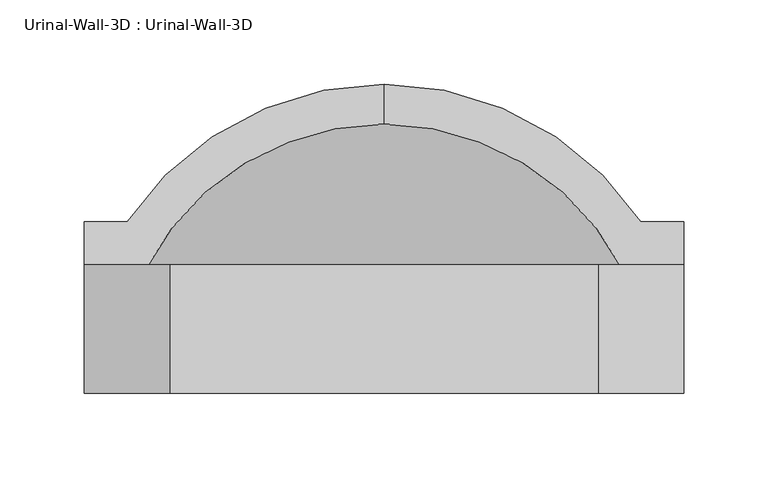
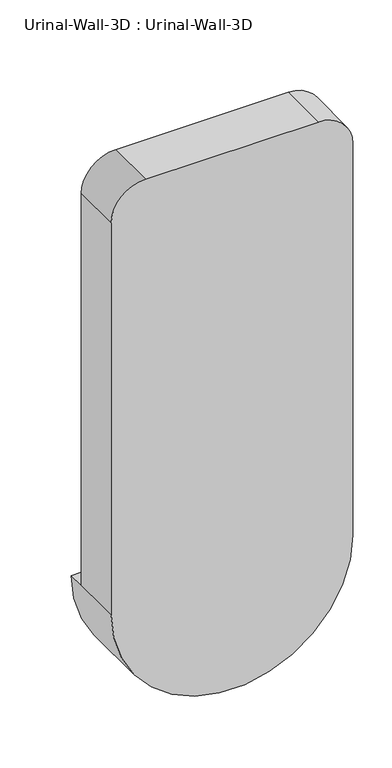
"""IFC4 building model written with IfcOpenShell, lengths in millimetres: flow terminal geometry, Urinal-Wall-3D : Urinal-Wall-3D."""

from ifc_helpers import new_model, si_unit, point, frame, origin, place, context, project, spatial, polyline, circle_curve, ellipse_curve, trimmed, source, transform, mapped, element, save
from ifc_brep_helpers import plane_surface, cylinder_surface, revolved_surface, advanced_brep


def urinal_wall_3d_urinal_wall_3d_214b062c(model_context):
    return source(origin(), model_context, "Body", "AdvancedBrep", [
        advanced_brep(
        [(-109.0745999, 259.3620048, 609.6), (-109.0745999, 235.6447043, 609.6), (43.3254001, 123.0706063, 609.6), (43.3254001, 152.4, 609.6), (68.7254001, 152.4, 609.6), (68.7254001, 177.8, 609.6), (43.3254001, 177.8, 609.6), (-261.4745999, 177.8, 609.6), (-286.8745999, 177.8, 609.6), (-286.8745999, 152.4, 609.6), (-261.4745999, 152.4, 609.6), (-261.4745999, 123.0706063, 609.6), (-261.4745999, 88.9, 609.6), (43.3254001, 88.9, 609.6), (-286.8745999, 76.2, 609.6), (68.7254001, 76.2, 609.6), (68.7254001, 76.2, 1219.2), (17.9254001, 76.2, 1270.0), (-236.0745999, 76.2, 1270.0), (-286.8745999, 76.2, 1219.2), (43.3254001, 152.4, 1168.4), (-7.4745999, 152.4, 1219.2), (-210.6745999, 152.4, 1219.2), (-261.4745999, 152.4, 1168.4), (-286.8745999, 152.4, 1219.2), (-236.0745999, 152.4, 1270.0), (17.9254001, 152.4, 1270.0), (68.7254001, 152.4, 1219.2), (43.3254001, 88.9, 1168.4), (-7.4745999, 88.9, 1219.2), (-210.6745999, 88.9, 1219.2), (-261.4745999, 88.9, 1168.4)],
        [
            (0, 1),
            (1, 2, circle_curve(frame((-109.0745999, 76.2, 609.6), z_axis=(0.0, 0.0, -1.0), x_axis=(1.0, 0.0, 0.0)), 159.4447043)),
            (2, 3),
            (3, 4),
            (4, 5),
            (5, 6),
            (6, 0, circle_curve(frame((-109.0745999, 76.2, 609.6), z_axis=(0.0, 0.0, 1.0), x_axis=(1.0, 0.0, 0.0)), 183.1620048)),
            (0, 7, circle_curve(frame((-109.0745999, 76.2, 609.6), z_axis=(0.0, 0.0, 1.0), x_axis=(-1.0, 0.0, 0.0)), 183.1620048)),
            (7, 8),
            (8, 9),
            (9, 10),
            (10, 11),
            (11, 1, circle_curve(frame((-109.0745999, 76.2, 609.6), z_axis=(0.0, 0.0, -1.0), x_axis=(-1.0, 0.0, 0.0)), 159.4447043)),
            (11, 2, circle_curve(frame((-109.0745999, 123.0706063, 609.6), z_axis=(0.0, -1.0, 0.0), x_axis=(1.0, 0.0, 0.0)), 152.4)),
            (11, 12),
            (12, 13, circle_curve(frame((-109.0745999, 88.9, 609.6), z_axis=(0.0, -1.0, 0.0), x_axis=(1.0, 0.0, 0.0)), 152.4)),
            (13, 2),
            (14, 15, circle_curve(frame((-109.0745999, 76.2, 609.6), z_axis=(0.0, -1.0, 0.0), x_axis=(1.0, 0.0, 0.0)), 177.8)),
            (15, 16),
            (16, 17, circle_curve(frame((17.9254001, 76.2, 1219.2), z_axis=(0.0, -1.0, 0.0), x_axis=(-1.0, 0.0, 0.0)), 50.8)),
            (17, 18),
            (18, 19, circle_curve(frame((-236.0745999, 76.2, 1219.2), z_axis=(0.0, -1.0, 0.0), x_axis=(-1.0, 0.0, 0.0)), 50.8)),
            (19, 14),
            (14, 9),
            (8, 5, circle_curve(frame((-109.0745999, 177.8, 609.6), z_axis=(0.0, -1.0, 0.0), x_axis=(1.0, 0.0, 0.0)), 177.8)),
            (4, 15),
            (7, 6, circle_curve(frame((-109.0745999, 177.8, 609.6), z_axis=(0.0, -1.0, 0.0), x_axis=(1.0, 0.0, 0.0)), 152.4)),
            (3, 20),
            (20, 21, circle_curve(frame((-7.4745999, 152.4, 1168.4), z_axis=(0.0, -1.0, 0.0), x_axis=(-1.0, 0.0, 0.0)), 50.8)),
            (21, 22),
            (22, 23, circle_curve(frame((-210.6745999, 152.4, 1168.4), z_axis=(0.0, -1.0, 0.0), x_axis=(-1.0, 0.0, 0.0)), 50.8)),
            (23, 10),
            (9, 24),
            (24, 25, circle_curve(frame((-236.0745999, 152.4, 1219.2), z_axis=(0.0, 1.0, 0.0), x_axis=(-1.0, 0.0, 0.0)), 50.8)),
            (25, 26),
            (26, 27, circle_curve(frame((17.9254001, 152.4, 1219.2), z_axis=(0.0, 1.0, 0.0), x_axis=(-1.0, 0.0, 0.0)), 50.8)),
            (27, 4),
            (13, 28),
            (28, 20),
            (28, 29, circle_curve(frame((-7.4745999, 88.9, 1168.4), z_axis=(0.0, -1.0, 0.0), x_axis=(-1.0, 0.0, 0.0)), 50.8)),
            (29, 21),
            (29, 30),
            (30, 22),
            (30, 31, circle_curve(frame((-210.6745999, 88.9, 1168.4), z_axis=(0.0, -1.0, 0.0), x_axis=(-1.0, 0.0, 0.0)), 50.8)),
            (31, 23),
            (31, 12),
            (19, 24),
            (18, 25),
            (17, 26),
            (16, 27),
        ],
        [
            plane_surface(frame((-109.0745999, 365.4104173, 609.6), z_axis=(0.0, 0.0, 1.0), x_axis=(1.0, 0.0, 0.0))),
            plane_surface(frame((-109.0745999, 365.4104173, 609.6), z_axis=(0.0, 0.0, 1.0), x_axis=(-1.0, 0.0, 0.0))),
            revolved_surface(trimmed(ellipse_curve(frame((-109.0745999, 76.2, 609.6), z_axis=(0.0, 0.0, -1.0), x_axis=(1.0, 0.0, 0.0)), 159.4447043, 159.4447043), [point((-109.0745999, 235.6447043, 609.6))], [point((43.3254001, 123.0706063, 609.6))], True, "CARTESIAN"), (-109.0745999, 365.4104173, 609.6), (0.0, 1.0, 0.0)),
            revolved_surface(polyline([(43.32540010000001, 123.07060630000001, 609.6), (43.32540010000001, 88.90000000000003, 609.6)]), (-109.0745999, 365.4104173, 609.6), (0.0, 1.0, 0.0)),
            plane_surface(frame((-109.0745999, 76.2, 609.6), z_axis=(0.0, -1.0, 0.0), x_axis=(1.0, 0.0, 0.0))),
            cylinder_surface(frame((-109.0745999, 365.4104173, 609.6), z_axis=(0.0, 1.0, 0.0), x_axis=(1.0, 0.0, 0.0)), 177.8),
            plane_surface(frame((-109.0745999, 177.8, 609.6), z_axis=(0.0, 1.0, 0.0), x_axis=(1.0, 0.0, 0.0))),
            revolved_surface(trimmed(ellipse_curve(frame((-109.0745999, 76.2, 609.6), z_axis=(0.0, 0.0, 1.0), x_axis=(1.0, 0.0, 0.0)), 183.1620048, 183.1620048), [point((43.3254001, 177.8, 609.6))], [point((-109.0745999, 259.3620048, 609.6))], True, "CARTESIAN"), (-109.0745999, 365.4104173, 609.6), (0.0, 1.0, 0.0)),
            plane_surface(frame((43.3254001, 152.4, 609.6), z_axis=(0.0, 1.0, 0.0), x_axis=(0.0, 0.0, 1.0))),
            plane_surface(frame((43.3254001, 152.4, 609.6), z_axis=(-1.0, 0.0, 0.0), x_axis=(0.0, -1.0, 0.0))),
            revolved_surface(polyline([(-58.2745999, 88.9, 1168.4), (-58.2745999, 152.4, 1168.4)]), (-7.4745999, 76.2, 1168.4), (0.0, -1.0, 0.0)),
            plane_surface(frame((-7.4745999, 152.4, 1219.2), z_axis=(0.0, 0.0, -1.0), x_axis=(0.0, -1.0, 0.0))),
            revolved_surface(polyline([(-261.4745999, 88.9, 1168.4), (-261.4745999, 152.4, 1168.4)]), (-210.6745999, 76.2, 1168.4), (0.0, -1.0, 0.0)),
            plane_surface(frame((-261.4745999, 152.4, 1168.4), z_axis=(1.0, 0.0, 0.0), x_axis=(0.0, -1.0, 0.0))),
            plane_surface(frame((-286.8745999, 152.4, 609.6), z_axis=(-1.0, 0.0, 0.0), x_axis=(0.0, -1.0, 0.0))),
            cylinder_surface(frame((-236.0745999, 76.2, 1219.2), z_axis=(0.0, 1.0, 0.0), x_axis=(-1.0, 0.0, 0.0)), 50.8),
            plane_surface(frame((-236.0745999, 152.4, 1270.0), z_axis=(0.0, 0.0, 1.0), x_axis=(0.0, -1.0, 0.0))),
            cylinder_surface(frame((17.9254001, 76.2, 1219.2), z_axis=(0.0, 1.0, 0.0), x_axis=(-1.0, 0.0, 0.0)), 50.8),
            plane_surface(frame((68.7254001, 152.4, 1219.2), z_axis=(1.0, 0.0, 0.0), x_axis=(0.0, -1.0, 0.0))),
            plane_surface(frame((43.3254001, 88.9, 609.6), z_axis=(0.0, 1.0, 0.0), x_axis=(0.0, 0.0, -1.0))),
        ],
        [
            (0, [[1, 2, 3, 4, 5, 6, 7]]),
            (1, [[-1, 8, 9, 10, 11, 12, 13]]),
            (2, [[-2, -13, 14]]),
            (3, [[-14, 15, 16, 17]]),
            (4, [[18, 19, 20, 21, 22, 23]]),
            (5, [[-18, 24, -10, 25, -5, 26]]),
            (6, [[-6, -25, -9, 27]]),
            (7, [[-7, -27, -8]]),
            (8, [[28, 29, 30, 31, 32, -11, 33, 34, 35, 36, 37, -4]]),
            (9, [[-28, -3, -17, 38, 39]]),
            (10, [[-29, -39, 40, 41]]),
            (11, [[-30, -41, 42, 43]]),
            (12, [[-31, -43, 44, 45]]),
            (13, [[-32, -45, 46, -15, -12]]),
            (14, [[-33, -24, -23, 47]]),
            (15, [[-34, -47, -22, 48]]),
            (16, [[-35, -48, -21, 49]]),
            (17, [[-36, -49, -20, 50]]),
            (18, [[-37, -50, -19, -26]]),
            (19, [[-16, -46, -44, -42, -40, -38]]),
        ],
    ),
    ])


if __name__ == "__main__":
    model = new_model("IFC4")
    model_context = context("Model", 3, world=origin())
    ifc_project = project(units=[si_unit("LENGTHUNIT", "METRE", prefix="MILLI")], contexts=[model_context])
    site = spatial("IfcSite", under=ifc_project)
    building = spatial("IfcBuilding", under=site)
    placement = place(None, origin())
    urinal_wall_3d_urinal_wall_3d_shape = urinal_wall_3d_urinal_wall_3d_214b062c(model_context)
    element("IfcFlowTerminal", 1, ObjectType="Urinal-Wall-3D : Urinal-Wall-3D", at=placement, inside=building, context=model_context, shape_type="MappedRepresentation", body=[
        mapped(urinal_wall_3d_urinal_wall_3d_shape, transform((0.0, 0.0, 0.0), x_axis=(1.0, 0.0, 0.0), y_axis=(0.0, 1.0, 0.0), z_axis=(0.0, 0.0, 1.0))),
    ])
    save(model, "model.ifc")
